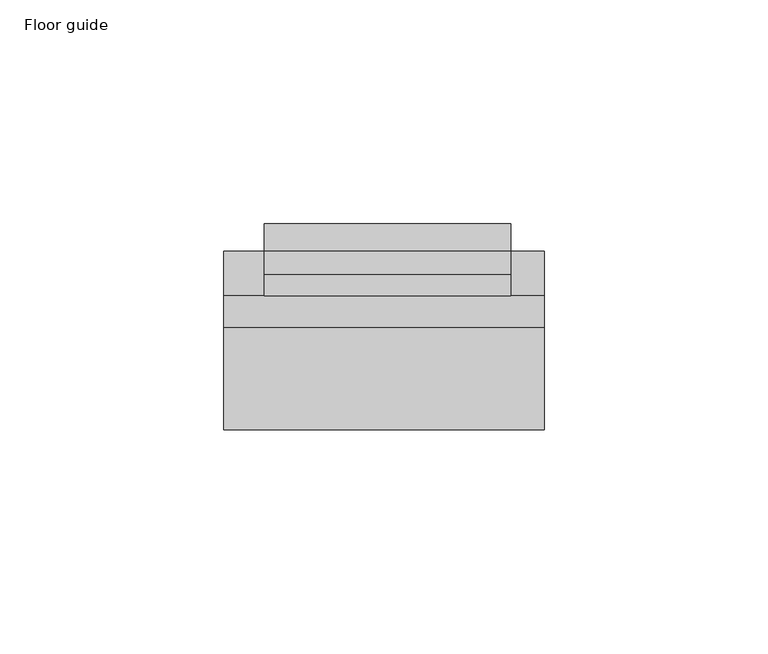
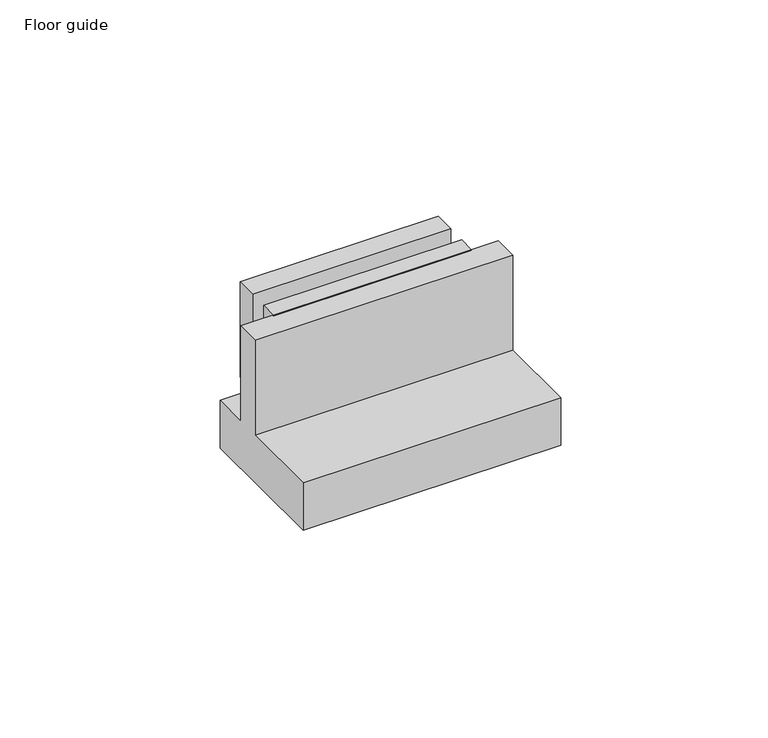
"""IFC4 building model written with IfcOpenShell, lengths in millimetres: proxy geometry, Floor guide."""

from ifc_helpers import new_model, si_unit, frame, origin, place, context, project, spatial, polyline, outline, extrude, source, transform, mapped, element, save


def floor_guide_093ae924(model_context):
    return source(origin(), model_context, "Body", "SweptSolid", [
        extrude(outline(polyline([(34.7, 42.0), (34.7, 17.0662424), (40.0, 17.0662424), (40.0, 42.0), (46.1, 42.0), (46.1, 14.0), (30.0, 14.0), (30.0, 42.0), (34.7, 42.0)])), frame((-8.187635, 0.0, 0.0), z_axis=(1.0, 0.0, 0.0), x_axis=(0.0, 1.0, 0.0)), (0.0, 0.0, 1.0), 55.1239278),
        extrude(outline(polyline([(0.0, 14.0), (23.0, 14.0), (23.0, 42.0), (30.0, 42.0), (30.0, 14.0), (40.0, 14.0), (40.0, 0.0), (0.0, 0.0), (0.0, 14.0)])), frame((-17.25, 0.0, 0.0), z_axis=(1.0, 0.0, 0.0), x_axis=(0.0, 1.0, 0.0)), (0.0, 0.0, 1.0), 71.6541199),
    ])


if __name__ == "__main__":
    model = new_model("IFC4")
    model_context = context("Model", 3, world=origin())
    ifc_project = project(units=[si_unit("LENGTHUNIT", "METRE", prefix="MILLI")], contexts=[model_context])
    site = spatial("IfcSite", under=ifc_project)
    building = spatial("IfcBuilding", under=site)
    placement = place(None, origin())
    floor_guide_shape = floor_guide_093ae924(model_context)
    element("IfcBuildingElementProxy", 1, Name="Floor guide", ObjectType="Floor guide", at=placement, inside=building, context=model_context, shape_type="MappedRepresentation", body=[
        mapped(floor_guide_shape, transform((0.0, 0.0, 0.0), x_axis=(1.0, 0.0, 0.0), y_axis=(0.0, 1.0, 0.0), z_axis=(0.0, 0.0, 1.0))),
    ])
    save(model, "model.ifc")
